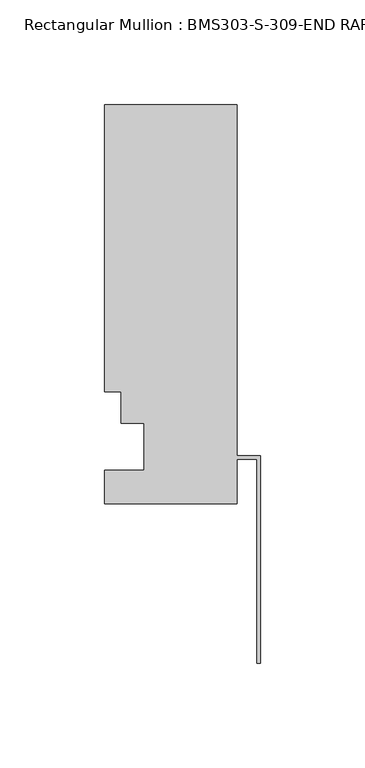
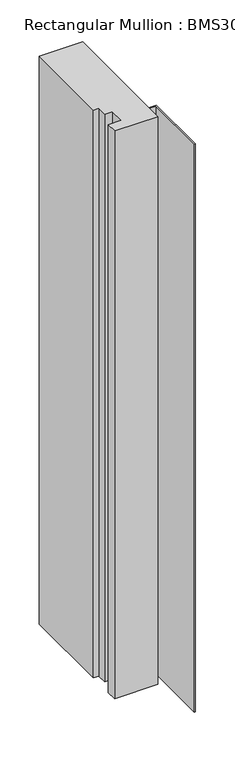
"""IFC4 building model written with IfcOpenShell, lengths in millimetres: member geometry, Rectangular Mullion : BMS303-S-309-END RAFTER."""

import ifcopenshell
import ifcopenshell.guid

model = None  # the IFC model being written
_history = None  # IfcOwnerHistory: only IFC2X3 demands one
_inside = {}  # id of a spatial element -> (the spatial element, [elements in it])
_under = {}  # id of a project, library or spatial element -> (it, [spatial elements below it])
_declared = {}  # id of a project -> (the project, [libraries it declares])
_typed = {}  # id of a type object -> (the type object, [elements of that type])
_made_of = {}  # id of a material, layer set ... -> (it, [elements and type objects made of it])


def new_model(schema):
    """Start an empty IFC model of exactly this schema.

    Asked for "IFC4X3", IfcOpenShell would pick the latest addendum, in which some entities
    have other attributes; the version numbers below select the first issue.
    IFC2X3 requires an IfcOwnerHistory on every rooted entity: one is made here for all.
    """
    global model, _history
    if schema == "IFC4X3":
        model = ifcopenshell.file(schema_version=(4, 3, 0, 0))
    else:
        model = ifcopenshell.file(schema=schema)
    _inside.clear()
    _under.clear()
    _declared.clear()
    _typed.clear()
    _made_of.clear()
    _history = None
    if model.schema == "IFC2X3":
        org = make("IfcOrganization", Name="unknown")
        user = make(
            "IfcPersonAndOrganization",
            ThePerson=make("IfcPerson", FamilyName="unknown"),
            TheOrganization=org,
        )
        app = make(
            "IfcApplication",
            ApplicationDeveloper=org,
            Version="unknown",
            ApplicationFullName="unknown",
            ApplicationIdentifier="unknown",
        )
        _history = make(
            "IfcOwnerHistory",
            OwningUser=user,
            OwningApplication=app,
            ChangeAction="ADDED",
            CreationDate=0,
        )
    return model


def make(cls, **values):
    """One entity of the class cls with the attributes given. An attribute that is None is left unset."""
    return model.create_entity(
        cls, **{name: value for name, value in values.items() if value is not None}
    )


def rooted(cls, **values):
    """An entity with a GlobalId (a new one), such as an element, a storey or a relation."""
    return make(cls, GlobalId=ifcopenshell.guid.new(), OwnerHistory=_history, **values)


def si_unit(unit_type, name, prefix=None):
    """IfcSIUnit, for example si_unit("LENGTHUNIT", "METRE", prefix="MILLI")."""
    return make("IfcSIUnit", UnitType=unit_type, Prefix=prefix, Name=name)


def assignment(units):
    """IfcUnitAssignment: the units of a project."""
    return None if units is None else make("IfcUnitAssignment", Units=units)


def point(xyz):
    """IfcCartesianPoint."""
    return None if xyz is None else make("IfcCartesianPoint", Coordinates=xyz)


def direction(xyz):
    """IfcDirection."""
    return None if xyz is None else make("IfcDirection", DirectionRatios=xyz)


def frame(location, z_axis=None, x_axis=None):
    """IfcAxis2Placement3D, a coordinate frame: its origin and axes. An axis left out is left unset."""
    return make(
        "IfcAxis2Placement3D",
        Location=point(location),
        Axis=direction(z_axis),
        RefDirection=direction(x_axis),
    )


def origin():
    """The frame at (0, 0, 0) with its axes left unset."""
    return frame((0.0, 0.0, 0.0))


def place(relative_to, where):
    """IfcLocalPlacement: puts the frame where relative to a parent placement (None: the world)."""
    return make(
        "IfcLocalPlacement", PlacementRelTo=relative_to, RelativePlacement=where
    )


def context(
    kind, dimensions, precision=None, world=None, true_north=None, identifier=None
):
    """IfcGeometricRepresentationContext, for example the 3D "Model" context."""
    return make(
        "IfcGeometricRepresentationContext",
        ContextIdentifier=identifier,
        ContextType=kind,
        CoordinateSpaceDimension=dimensions,
        Precision=precision,
        WorldCoordinateSystem=world,
        TrueNorth=true_north,
    )


def project(units=None, contexts=None):
    """IfcProject with its units and contexts."""
    return rooted(
        "IfcProject",
        Name="project",
        RepresentationContexts=contexts,
        UnitsInContext=assignment(units),
    )


def spatial(cls, under=None, at=None, **own):
    """A site, building, storey or space (cls), placed at a placement, below another one or the project."""
    s = rooted(cls, ObjectPlacement=at, **own)
    if under is not None:
        _under.setdefault(under.id(), (under, []))[1].append(s)
    return s


def polyline(points):
    """IfcPolyline through the points."""
    return make("IfcPolyline", Points=[point(p) for p in points])


def outline(outer, holes=None, kind="AREA"):
    """IfcArbitraryClosedProfileDef: a profile drawn as a closed curve; with holes, ...WithVoids."""
    if holes is None:
        return make("IfcArbitraryClosedProfileDef", ProfileType=kind, OuterCurve=outer)
    return make(
        "IfcArbitraryProfileDefWithVoids",
        ProfileType=kind,
        OuterCurve=outer,
        InnerCurves=holes,
    )


def extrude(swept, where, along, depth):
    """IfcExtrudedAreaSolid: the profile swept, set in the frame where, extruded along a direction by depth."""
    return make(
        "IfcExtrudedAreaSolid",
        SweptArea=swept,
        Position=where,
        ExtrudedDirection=direction(along),
        Depth=depth,
    )


def shape(context_of_items, identifier, shape_type, items):
    """IfcShapeRepresentation: the items that make up one representation, for example the "Body"."""
    return make(
        "IfcShapeRepresentation",
        ContextOfItems=context_of_items,
        RepresentationIdentifier=identifier,
        RepresentationType=shape_type,
        Items=items,
    )


def source(mapping_origin, context_of_items, identifier, shape_type, items):
    """IfcRepresentationMap: a shape defined once, which mapped items show again and again."""
    return make(
        "IfcRepresentationMap",
        MappingOrigin=mapping_origin,
        MappedRepresentation=shape(context_of_items, identifier, shape_type, items),
    )


def transform(
    local_origin,
    x_axis=None,
    y_axis=None,
    z_axis=None,
    scale=None,
    scale2=None,
    scale3=None,
    uniform=True,
):
    """IfcCartesianTransformationOperator3D, or its non-uniform kind. x_axis, y_axis, z_axis: its Axis1, 2, 3."""
    if uniform:
        return make(
            "IfcCartesianTransformationOperator3D",
            Axis1=direction(x_axis),
            Axis2=direction(y_axis),
            LocalOrigin=point(local_origin),
            Scale=scale,
            Axis3=direction(z_axis),
        )
    return make(
        "IfcCartesianTransformationOperator3DnonUniform",
        Axis1=direction(x_axis),
        Axis2=direction(y_axis),
        LocalOrigin=point(local_origin),
        Scale=scale,
        Axis3=direction(z_axis),
        Scale2=scale2,
        Scale3=scale3,
    )


def mapped(mapping_source, mapping_target):
    """IfcMappedItem: shows the shape of a source again, moved by a transform."""
    return make(
        "IfcMappedItem", MappingSource=mapping_source, MappingTarget=mapping_target
    )


def made_of(thing, what):
    """Note that an element or type object is made of a material, layer set ...; save() writes the relation."""
    if what is not None:
        _made_of.setdefault(what.id(), (what, []))[1].append(thing)
    return thing


def element(
    cls,
    number,
    at=None,
    inside=None,
    cuts=None,
    type_object=None,
    material=None,
    context=None,
    identifier="Body",
    shape_type=None,
    held_by="IfcProductDefinitionShape",
    body=None,
    shapes=None,
    **own,
):
    """One element of the class cls, such as IfcWall. Its Tag is "e" and its number.

    at: its placement. inside: the storey or other place that contains it. cuts: it is an
    opening in that element (IfcRelVoidsElement). A single representation is given by context,
    identifier, shape_type and body (its items); several are given by shapes. held_by: the class
    of the entity that holds the representations. save() writes the other relations.
    """
    e = rooted(cls, Tag="e%d" % number, ObjectPlacement=at, **own)
    if body is not None:
        shapes = [shape(context, identifier, shape_type, body)]
    if shapes is not None:
        e.Representation = make(held_by, Representations=shapes)
    if inside is not None:
        _inside.setdefault(inside.id(), (inside, []))[1].append(e)
    if cuts is not None:
        rooted(
            "IfcRelVoidsElement", RelatingBuildingElement=cuts, RelatedOpeningElement=e
        )
    if type_object is not None:
        _typed.setdefault(type_object.id(), (type_object, []))[1].append(e)
    return made_of(e, material)


def aggregate(whole, parts):
    """IfcRelAggregates: a whole, such as a stair, and the parts it consists of."""
    return rooted("IfcRelAggregates", RelatingObject=whole, RelatedObjects=parts)


def save(model, path):
    """Write the relations noted so far, then the file.

    IfcRelAggregates (storeys below a building ...), IfcRelContainedInSpatialStructure (elements
    in a storey), IfcRelDefinesByType, IfcRelAssociatesMaterial and IfcRelDeclares: one each for
    every whole, place, type object, material and project.
    """
    for whole, parts in _under.values():
        aggregate(whole, parts)
    for where, things in _inside.values():
        rooted(
            "IfcRelContainedInSpatialStructure",
            RelatedElements=things,
            RelatingStructure=where,
        )
    for kind, things in _typed.values():
        rooted("IfcRelDefinesByType", RelatedObjects=things, RelatingType=kind)
    for what, things in _made_of.values():
        rooted("IfcRelAssociatesMaterial", RelatedObjects=things, RelatingMaterial=what)
    for by, libraries in _declared.values():
        rooted("IfcRelDeclares", RelatingContext=by, RelatedDefinitions=libraries)
    model.write(path)


def rectangular_mullion_bms303_s_309_end_rafter_244b0627(model_context):
    return source(origin(), model_context, "Body", "SweptSolid", [
        extrude(outline(polyline([(-11.113262, 214.709375), (-11.113262, 46.789975), (0.0, 46.789975), (0.0, -52.2757926), (-1.5748, -52.2757926), (-1.5748, 45.215175), (-11.113262, 45.215175), (-11.113262, 23.955375), (-74.613262, 23.955375), (-74.613262, 39.830375), (-55.563262, 39.830375), (-55.563262, 62.309375), (-66.688462, 62.309375), (-66.688462, 77.371575), (-74.613262, 77.371575), (-74.613262, 214.709375), (-11.113262, 214.709375)])), frame((0.0, 0.0, -879.8818102), z_axis=(0.0, 0.0, 1.0), x_axis=(1.0, 0.0, 0.0)), (0.0, 0.0, 1.0), 879.8818102),
    ])


if __name__ == "__main__":
    model = new_model("IFC4")
    model_context = context("Model", 3, world=origin())
    ifc_project = project(units=[si_unit("LENGTHUNIT", "METRE", prefix="MILLI")], contexts=[model_context])
    site = spatial("IfcSite", under=ifc_project)
    building = spatial("IfcBuilding", under=site)
    placement = place(None, origin())
    rectangular_mullion_bms303_s_309_end_rafter_shape = rectangular_mullion_bms303_s_309_end_rafter_244b0627(model_context)
    element("IfcMember", 1, ObjectType="Rectangular Mullion : BMS303-S-309-END RAFTER", at=placement, inside=building, context=model_context, shape_type="MappedRepresentation", body=[
        mapped(rectangular_mullion_bms303_s_309_end_rafter_shape, transform((0.0, 0.0, 0.0), x_axis=(1.0, 0.0, 0.0), y_axis=(0.0, 1.0, 0.0), z_axis=(0.0, 0.0, 1.0))),
    ])
    save(model, "model.ifc")
